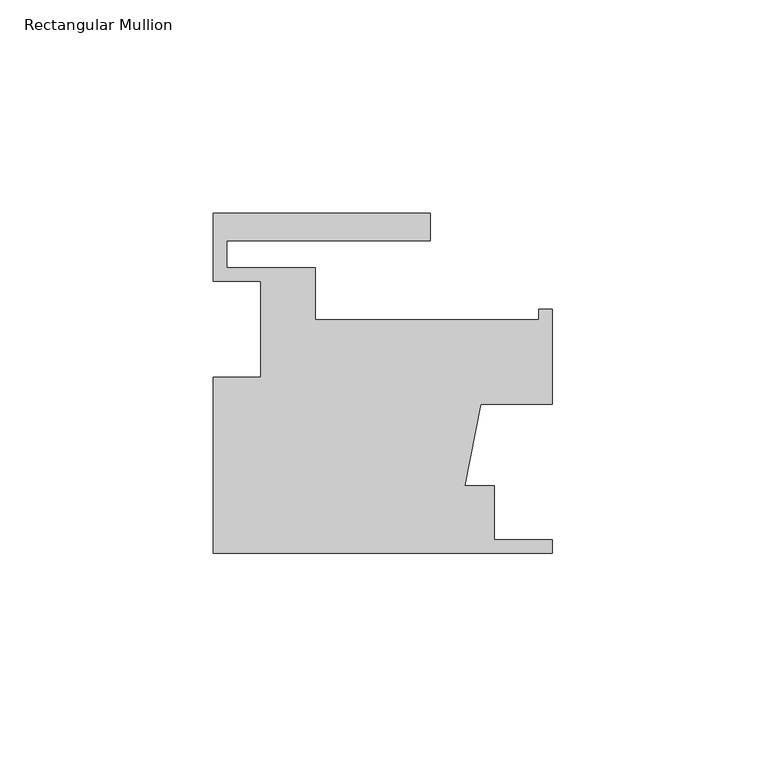
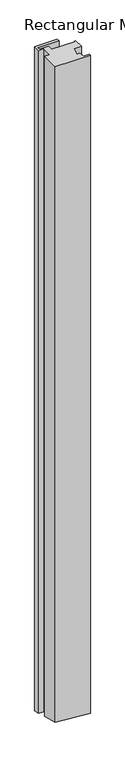
"""IFC4 building model written with IfcOpenShell, lengths in millimetres: member geometry, Rectangular Mullion."""

from ifc_helpers import new_model, si_unit, origin, place, context, project, spatial, faceted_brep, source, transform, mapped, element, save


def rectangular_mullion_a1a4f907(model_context):
    return source(origin(), model_context, "Body", "Brep", [
        faceted_brep([(-79.375, -41.3742187, 0.0), (0.0, -41.3742187, 0.0), (0.0, -38.1992187, 0.0), (-13.589, -38.1992187, 0.0), (-13.589, -25.4992187, 0.0), (-20.4645725, -25.4992187, 0.0), (-16.7868047, -6.4492187, 0.0), (0.0, -6.4492187, 0.0), (0.0, 15.7757813, 0.0), (-3.175, 15.7757813, 0.0), (-3.175, 13.3881813, 0.0), (-55.5498, 13.3881813, 0.0), (-55.5498, 25.5547813, 0.0), (-76.2, 25.5547813, 0.0), (-76.2, 31.9047813, 0.0), (-28.575, 31.9047813, 0.0), (-28.575, 38.2547813, 0.0), (-79.375, 38.2547813, 0.0), (-79.375, 22.3797813, 0.0), (-68.2498, 22.3797813, 0.0), (-68.2498, -0.0992187, 0.0), (-79.375, -0.0992187, 0.0), (-79.375, -41.3742187, -1561.6992692), (0.0, -41.3742187, -1567.028356), (0.0, -38.1992187, -1567.8519564), (-13.589, -38.1992187, -1566.9396168), (-13.589, -25.4992187, -1570.2340184), (-20.4645725, -25.4992187, -1569.7724055), (-16.7868047, -6.4492187, -1574.9609264), (0.0, -6.4492187, -1576.0879606), (0.0, 15.7757813, -1581.8531635), (-3.175, 15.7757813, -1581.64), (-3.175, 13.3881813, -1581.0206525), (-55.5498, 13.3881813, -1577.5043079), (-55.5498, 25.5547813, -1580.6603447), (-76.2, 25.5547813, -1579.2739294), (-76.2, 31.9047813, -1580.9211303), (-28.575, 31.9047813, -1584.1185824), (-28.575, 38.2547813, -1585.7657832), (-79.375, 38.2547813, -1582.3551676), (-79.375, 22.3797813, -1578.2371655), (-68.2498, 22.3797813, -1578.9840904), (-68.2498, -0.0992187, -1573.1529994), (-79.375, -0.0992187, -1572.4060746)], [[[0, 1, 2, 3, 4, 5, 6, 7, 8, 9, 10, 11, 12, 13, 14, 15, 16, 17, 18, 19, 20, 21]], [[1, 0, 22, 23]], [[2, 1, 23, 24]], [[3, 2, 24, 25]], [[4, 3, 25, 26]], [[5, 4, 26, 27]], [[6, 5, 27, 28]], [[7, 6, 28, 29]], [[8, 7, 29, 30]], [[9, 8, 30, 31]], [[10, 9, 31, 32]], [[11, 10, 32, 33]], [[12, 11, 33, 34]], [[13, 12, 34, 35]], [[14, 13, 35, 36]], [[15, 14, 36, 37]], [[16, 15, 37, 38]], [[17, 16, 38, 39]], [[18, 17, 39, 40]], [[19, 18, 40, 41]], [[20, 19, 41, 42]], [[21, 20, 42, 43]], [[0, 21, 43, 22]], [[22, 43, 42, 41, 40, 39, 38, 37, 36, 35, 34, 33, 32, 31, 30, 29, 28, 27, 26, 25, 24, 23]]]),
    ])


if __name__ == "__main__":
    model = new_model("IFC4")
    model_context = context("Model", 3, world=origin())
    ifc_project = project(units=[si_unit("LENGTHUNIT", "METRE", prefix="MILLI")], contexts=[model_context])
    site = spatial("IfcSite", under=ifc_project)
    building = spatial("IfcBuilding", under=site)
    placement = place(None, origin())
    rectangular_mullion_shape = rectangular_mullion_a1a4f907(model_context)
    element("IfcMember", 1, ObjectType="Rectangular Mullion", at=placement, inside=building, context=model_context, shape_type="MappedRepresentation", body=[
        mapped(rectangular_mullion_shape, transform((0.0, 0.0, 0.0), x_axis=(1.0, 0.0, 0.0), y_axis=(0.0, 1.0, 0.0), z_axis=(0.0, 0.0, 1.0))),
    ])
    save(model, "model.ifc")
